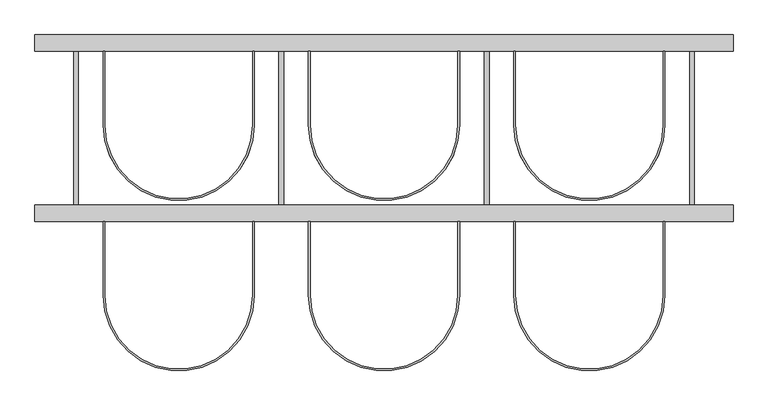
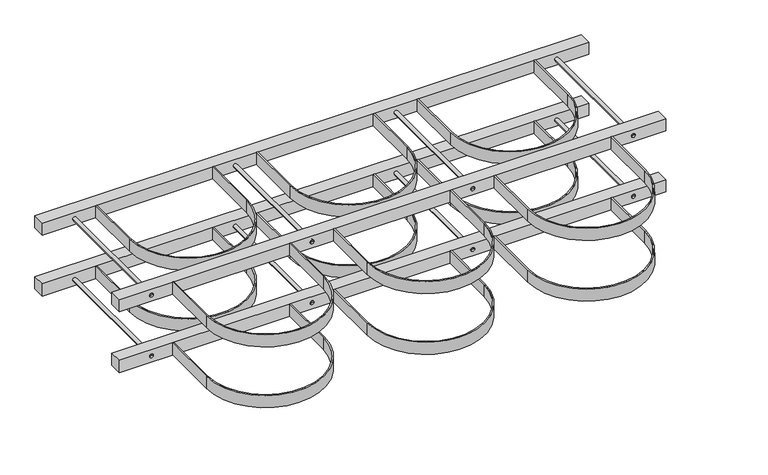
"""IFC4 building model written with IfcOpenShell, lengths in millimetres: proxy geometry."""

import ifcopenshell
import ifcopenshell.guid

model = None  # the IFC model being written
_history = None  # IfcOwnerHistory: only IFC2X3 demands one
_inside = {}  # id of a spatial element -> (the spatial element, [elements in it])
_under = {}  # id of a project, library or spatial element -> (it, [spatial elements below it])
_declared = {}  # id of a project -> (the project, [libraries it declares])
_typed = {}  # id of a type object -> (the type object, [elements of that type])
_made_of = {}  # id of a material, layer set ... -> (it, [elements and type objects made of it])


def new_model(schema):
    """Start an empty IFC model of exactly this schema.

    Asked for "IFC4X3", IfcOpenShell would pick the latest addendum, in which some entities
    have other attributes; the version numbers below select the first issue.
    IFC2X3 requires an IfcOwnerHistory on every rooted entity: one is made here for all.
    """
    global model, _history
    if schema == "IFC4X3":
        model = ifcopenshell.file(schema_version=(4, 3, 0, 0))
    else:
        model = ifcopenshell.file(schema=schema)
    _inside.clear()
    _under.clear()
    _declared.clear()
    _typed.clear()
    _made_of.clear()
    _history = None
    if model.schema == "IFC2X3":
        org = make("IfcOrganization", Name="unknown")
        user = make(
            "IfcPersonAndOrganization",
            ThePerson=make("IfcPerson", FamilyName="unknown"),
            TheOrganization=org,
        )
        app = make(
            "IfcApplication",
            ApplicationDeveloper=org,
            Version="unknown",
            ApplicationFullName="unknown",
            ApplicationIdentifier="unknown",
        )
        _history = make(
            "IfcOwnerHistory",
            OwningUser=user,
            OwningApplication=app,
            ChangeAction="ADDED",
            CreationDate=0,
        )
    return model


def make(cls, **values):
    """One entity of the class cls with the attributes given. An attribute that is None is left unset."""
    return model.create_entity(
        cls, **{name: value for name, value in values.items() if value is not None}
    )


def rooted(cls, **values):
    """An entity with a GlobalId (a new one), such as an element, a storey or a relation."""
    return make(cls, GlobalId=ifcopenshell.guid.new(), OwnerHistory=_history, **values)


def si_unit(unit_type, name, prefix=None):
    """IfcSIUnit, for example si_unit("LENGTHUNIT", "METRE", prefix="MILLI")."""
    return make("IfcSIUnit", UnitType=unit_type, Prefix=prefix, Name=name)


def assignment(units):
    """IfcUnitAssignment: the units of a project."""
    return None if units is None else make("IfcUnitAssignment", Units=units)


def point(xyz):
    """IfcCartesianPoint."""
    return None if xyz is None else make("IfcCartesianPoint", Coordinates=xyz)


def direction(xyz):
    """IfcDirection."""
    return None if xyz is None else make("IfcDirection", DirectionRatios=xyz)


def frame(location, z_axis=None, x_axis=None):
    """IfcAxis2Placement3D, a coordinate frame: its origin and axes. An axis left out is left unset."""
    return make(
        "IfcAxis2Placement3D",
        Location=point(location),
        Axis=direction(z_axis),
        RefDirection=direction(x_axis),
    )


def frame_2d(location, x_axis=None):
    """IfcAxis2Placement2D, a coordinate frame in the plane: its origin and x axis."""
    return make(
        "IfcAxis2Placement2D", Location=point(location), RefDirection=direction(x_axis)
    )


def origin():
    """The frame at (0, 0, 0) with its axes left unset."""
    return frame((0.0, 0.0, 0.0))


def origin_2d():
    """The frame at (0, 0) in the plane with its x axis left unset."""
    return frame_2d((0.0, 0.0))


def place(relative_to, where):
    """IfcLocalPlacement: puts the frame where relative to a parent placement (None: the world)."""
    return make(
        "IfcLocalPlacement", PlacementRelTo=relative_to, RelativePlacement=where
    )


def context(
    kind, dimensions, precision=None, world=None, true_north=None, identifier=None
):
    """IfcGeometricRepresentationContext, for example the 3D "Model" context."""
    return make(
        "IfcGeometricRepresentationContext",
        ContextIdentifier=identifier,
        ContextType=kind,
        CoordinateSpaceDimension=dimensions,
        Precision=precision,
        WorldCoordinateSystem=world,
        TrueNorth=true_north,
    )


def project(units=None, contexts=None):
    """IfcProject with its units and contexts."""
    return rooted(
        "IfcProject",
        Name="project",
        RepresentationContexts=contexts,
        UnitsInContext=assignment(units),
    )


def spatial(cls, under=None, at=None, **own):
    """A site, building, storey or space (cls), placed at a placement, below another one or the project."""
    s = rooted(cls, ObjectPlacement=at, **own)
    if under is not None:
        _under.setdefault(under.id(), (under, []))[1].append(s)
    return s


def polyline(points):
    """IfcPolyline through the points."""
    return make("IfcPolyline", Points=[point(p) for p in points])


def circle_curve(where, radius):
    """IfcCircle in the frame where."""
    return make("IfcCircle", Position=where, Radius=radius)


def trimmed(basis, trim1, trim2, sense, master):
    """IfcTrimmedCurve: the piece of a basis curve between two trims."""
    return make(
        "IfcTrimmedCurve",
        BasisCurve=basis,
        Trim1=trim1,
        Trim2=trim2,
        SenseAgreement=sense,
        MasterRepresentation=master,
    )


def segment(curve, same_sense, transition):
    """IfcCompositeCurveSegment."""
    return make(
        "IfcCompositeCurveSegment",
        Transition=transition,
        SameSense=same_sense,
        ParentCurve=curve,
    )


def composite_curve(segments, self_intersect=None):
    """IfcCompositeCurve: segments joined end to end."""
    return make("IfcCompositeCurve", Segments=segments, SelfIntersect=self_intersect)


def outline(outer, holes=None, kind="AREA"):
    """IfcArbitraryClosedProfileDef: a profile drawn as a closed curve; with holes, ...WithVoids."""
    if holes is None:
        return make("IfcArbitraryClosedProfileDef", ProfileType=kind, OuterCurve=outer)
    return make(
        "IfcArbitraryProfileDefWithVoids",
        ProfileType=kind,
        OuterCurve=outer,
        InnerCurves=holes,
    )


def extrude(swept, where, along, depth):
    """IfcExtrudedAreaSolid: the profile swept, set in the frame where, extruded along a direction by depth."""
    return make(
        "IfcExtrudedAreaSolid",
        SweptArea=swept,
        Position=where,
        ExtrudedDirection=direction(along),
        Depth=depth,
    )


def shape(context_of_items, identifier, shape_type, items):
    """IfcShapeRepresentation: the items that make up one representation, for example the "Body"."""
    return make(
        "IfcShapeRepresentation",
        ContextOfItems=context_of_items,
        RepresentationIdentifier=identifier,
        RepresentationType=shape_type,
        Items=items,
    )


def source(mapping_origin, context_of_items, identifier, shape_type, items):
    """IfcRepresentationMap: a shape defined once, which mapped items show again and again."""
    return make(
        "IfcRepresentationMap",
        MappingOrigin=mapping_origin,
        MappedRepresentation=shape(context_of_items, identifier, shape_type, items),
    )


def transform(
    local_origin,
    x_axis=None,
    y_axis=None,
    z_axis=None,
    scale=None,
    scale2=None,
    scale3=None,
    uniform=True,
):
    """IfcCartesianTransformationOperator3D, or its non-uniform kind. x_axis, y_axis, z_axis: its Axis1, 2, 3."""
    if uniform:
        return make(
            "IfcCartesianTransformationOperator3D",
            Axis1=direction(x_axis),
            Axis2=direction(y_axis),
            LocalOrigin=point(local_origin),
            Scale=scale,
            Axis3=direction(z_axis),
        )
    return make(
        "IfcCartesianTransformationOperator3DnonUniform",
        Axis1=direction(x_axis),
        Axis2=direction(y_axis),
        LocalOrigin=point(local_origin),
        Scale=scale,
        Axis3=direction(z_axis),
        Scale2=scale2,
        Scale3=scale3,
    )


def mapped(mapping_source, mapping_target):
    """IfcMappedItem: shows the shape of a source again, moved by a transform."""
    return make(
        "IfcMappedItem", MappingSource=mapping_source, MappingTarget=mapping_target
    )


def made_of(thing, what):
    """Note that an element or type object is made of a material, layer set ...; save() writes the relation."""
    if what is not None:
        _made_of.setdefault(what.id(), (what, []))[1].append(thing)
    return thing


def element(
    cls,
    number,
    at=None,
    inside=None,
    cuts=None,
    type_object=None,
    material=None,
    context=None,
    identifier="Body",
    shape_type=None,
    held_by="IfcProductDefinitionShape",
    body=None,
    shapes=None,
    **own,
):
    """One element of the class cls, such as IfcWall. Its Tag is "e" and its number.

    at: its placement. inside: the storey or other place that contains it. cuts: it is an
    opening in that element (IfcRelVoidsElement). A single representation is given by context,
    identifier, shape_type and body (its items); several are given by shapes. held_by: the class
    of the entity that holds the representations. save() writes the other relations.
    """
    e = rooted(cls, Tag="e%d" % number, ObjectPlacement=at, **own)
    if body is not None:
        shapes = [shape(context, identifier, shape_type, body)]
    if shapes is not None:
        e.Representation = make(held_by, Representations=shapes)
    if inside is not None:
        _inside.setdefault(inside.id(), (inside, []))[1].append(e)
    if cuts is not None:
        rooted(
            "IfcRelVoidsElement", RelatingBuildingElement=cuts, RelatedOpeningElement=e
        )
    if type_object is not None:
        _typed.setdefault(type_object.id(), (type_object, []))[1].append(e)
    return made_of(e, material)


def aggregate(whole, parts):
    """IfcRelAggregates: a whole, such as a stair, and the parts it consists of."""
    return rooted("IfcRelAggregates", RelatingObject=whole, RelatedObjects=parts)


def save(model, path):
    """Write the relations noted so far, then the file.

    IfcRelAggregates (storeys below a building ...), IfcRelContainedInSpatialStructure (elements
    in a storey), IfcRelDefinesByType, IfcRelAssociatesMaterial and IfcRelDeclares: one each for
    every whole, place, type object, material and project.
    """
    for whole, parts in _under.values():
        aggregate(whole, parts)
    for where, things in _inside.values():
        rooted(
            "IfcRelContainedInSpatialStructure",
            RelatedElements=things,
            RelatingStructure=where,
        )
    for kind, things in _typed.values():
        rooted("IfcRelDefinesByType", RelatedObjects=things, RelatingType=kind)
    for what, things in _made_of.values():
        rooted("IfcRelAssociatesMaterial", RelatedObjects=things, RelatingMaterial=what)
    for by, libraries in _declared.values():
        rooted("IfcRelDeclares", RelatingContext=by, RelatedDefinitions=libraries)
    model.write(path)


def plane_surface(at):
    """IfcPlane: the flat surface through the origin of the frame at, square to its z axis."""
    return make("IfcPlane", Position=at)


def cylinder_surface(at, radius):
    """IfcCylindricalSurface: all points at the distance radius from the z axis of the frame at."""
    return make("IfcCylindricalSurface", Position=at, Radius=radius)


def advanced_brep(points, edges, surfaces, faces):
    """IfcAdvancedBrep: a solid bounded by faces that lie on surfaces and meet in shared edges.

    An edge is (start, end): straight between two places in points (the first is 0);
    or (start, end, curve); or (start, end, curve, False) where it runs against its curve.
    A face is (place in surfaces, loops), or (place, loops, False) where it looks against
    its surface's normal. A loop lists edges by number (the first is 1), with a minus sign
    where the edge is run from its end to its start. The first loop is the outer one.
    """
    corners = [point(p) for p in points]
    vertices = [make("IfcVertexPoint", VertexGeometry=c) for c in corners]
    made = []
    for start, end, *more in edges:
        made.append(
            make(
                "IfcEdgeCurve",
                EdgeStart=vertices[start],
                EdgeEnd=vertices[end],
                EdgeGeometry=more[0] if more else make("IfcPolyline", Points=[corners[start], corners[end]]),
                SameSense=more[1] if len(more) > 1 else True,
            )
        )
    hull = []
    for where, loops, *sense in faces:
        bounds = []
        for j, loop in enumerate(loops):
            ring = [make("IfcOrientedEdge", EdgeElement=made[abs(k) - 1], Orientation=k > 0) for k in loop]
            bounds.append(
                make(
                    "IfcFaceOuterBound" if j == 0 else "IfcFaceBound",
                    Bound=make("IfcEdgeLoop", EdgeList=ring),
                    Orientation=True,
                )
            )
        hull.append(make("IfcAdvancedFace", Bounds=bounds, FaceSurface=surfaces[where], SameSense=sense[0] if sense else True))
    return make("IfcAdvancedBrep", Outer=make("IfcClosedShell", CfsFaces=hull))


def specialty_equipment_f84ff346(model_context):
    return source(origin(), model_context, "Body", "SolidModel", [
        extrude(outline(composite_curve([segment(polyline([(820.0, -235.0), (820.0, -415.0)]), True, "CONTINUOUS"), segment(trimmed(circle_curve(frame_2d((1000.0, -415.0)), 180.0), [point((820.0, -415.0))], [point((1180.0, -415.0))], True, "CARTESIAN"), True, "CONTINUOUS"), segment(polyline([(1180.0, -415.0), (1180.0, -235.0), (1184.0, -235.0), (1184.0, -415.0)]), True, "CONTINUOUS"), segment(trimmed(circle_curve(frame_2d((1000.0, -415.0)), 184.0), [point((1184.0, -415.0))], [point((816.0, -415.0))], False, "CARTESIAN"), True, "CONTINUOUS"), segment(polyline([(816.0, -415.0), (816.0, -235.0), (820.0, -235.0)]), True, "CONTINUOUS")], self_intersect=False)), frame((0.0, 0.0, 180.0), z_axis=(0.0, 0.0, 1.0), x_axis=(1.0, 0.0, 0.0)), (0.0, 0.0, 1.0), 40.0),
        advanced_brep(
        [(1256.0, -235.0, 200.0), (1244.0, -235.0, 200.0), (1244.0, 180.0, 200.0), (1256.0, 180.0, 200.0), (1250.0, -235.0, 200.0), (1250.0, 180.0, 200.0)],
        [
            (0, 1, circle_curve(frame((1250.0, -235.0, 200.0), z_axis=(0.0, 1.0, 0.0), x_axis=(-1.0, 0.0, 0.0)), 6.0)),
            (1, 2),
            (2, 3, circle_curve(frame((1250.0, 180.0, 200.0), z_axis=(0.0, -1.0, 0.0), x_axis=(-1.0, 0.0, 0.0)), 6.0)),
            (3, 0),
            (1, 0, circle_curve(frame((1250.0, -235.0, 200.0), z_axis=(0.0, 1.0, 0.0), x_axis=(-1.0, 0.0, 0.0)), 6.0)),
            (3, 2, circle_curve(frame((1250.0, 180.0, 200.0), z_axis=(0.0, -1.0, 0.0), x_axis=(-1.0, 0.0, 0.0)), 6.0)),
            (4, 1),
            (0, 4),
            (2, 5),
            (5, 3),
        ],
        [
            cylinder_surface(frame((1250.0, 1704.0, 200.0), z_axis=(0.0, -1.0, 0.0), x_axis=(-1.0, 0.0, 0.0)), 6.0),
            plane_surface(frame((1250.0, -235.0, 200.0), z_axis=(0.0, -1.0, 0.0), x_axis=(-1.0, 0.0, 0.0))),
            plane_surface(frame((1250.0, 180.0, 200.0), z_axis=(0.0, 1.0, 0.0), x_axis=(-1.0, 0.0, 0.0))),
        ],
        [
            (0, [[1, 2, 3, 4]]),
            (0, [[5, -4, 6, -2]]),
            (1, [[7, -1, 8]]),
            (1, [[-8, -5, -7]]),
            (2, [[-3, 9, 10]]),
            (2, [[-6, -10, -9]]),
        ],
    ),
        extrude(outline(composite_curve([segment(polyline([(820.0, 180.0), (820.0, 0.0)]), True, "CONTINUOUS"), segment(trimmed(circle_curve(frame_2d((1000.0, 0.0)), 180.0), [point((820.0, 0.0))], [point((1180.0, 0.0))], True, "CARTESIAN"), True, "CONTINUOUS"), segment(polyline([(1180.0, 0.0), (1180.0, 180.0), (1184.0, 180.0), (1184.0, 0.0)]), True, "CONTINUOUS"), segment(trimmed(circle_curve(frame_2d((1000.0, 0.0)), 184.0), [point((1184.0, 0.0))], [point((816.0, 0.0))], False, "CARTESIAN"), True, "CONTINUOUS"), segment(polyline([(816.0, 0.0), (816.0, 180.0), (820.0, 180.0)]), True, "CONTINUOUS")], self_intersect=False)), frame((0.0, 0.0, 180.0), z_axis=(0.0, 0.0, 1.0), x_axis=(1.0, 0.0, 0.0)), (0.0, 0.0, 1.0), 40.0),
        extrude(outline(composite_curve([segment(polyline([(320.0, -235.0), (320.0, -415.0)]), True, "CONTINUOUS"), segment(trimmed(circle_curve(frame_2d((500.0, -415.0)), 180.0), [point((320.0, -415.0))], [point((680.0, -415.0))], True, "CARTESIAN"), True, "CONTINUOUS"), segment(polyline([(680.0, -415.0), (680.0, -235.0), (684.0, -235.0), (684.0, -415.0)]), True, "CONTINUOUS"), segment(trimmed(circle_curve(frame_2d((500.0, -415.0)), 184.0), [point((684.0, -415.0))], [point((316.0, -415.0))], False, "CARTESIAN"), True, "CONTINUOUS"), segment(polyline([(316.0, -415.0), (316.0, -235.0), (320.0, -235.0)]), True, "CONTINUOUS")], self_intersect=False)), frame((0.0, 0.0, 180.0), z_axis=(0.0, 0.0, 1.0), x_axis=(1.0, 0.0, 0.0)), (0.0, 0.0, 1.0), 40.0),
        advanced_brep(
        [(756.0, -235.0, 200.0), (744.0, -235.0, 200.0), (744.0, 180.0, 200.0), (756.0, 180.0, 200.0), (750.0, -235.0, 200.0), (750.0, 180.0, 200.0)],
        [
            (0, 1, circle_curve(frame((750.0, -235.0, 200.0), z_axis=(0.0, 1.0, 0.0), x_axis=(-1.0, 0.0, 0.0)), 6.0)),
            (1, 2),
            (2, 3, circle_curve(frame((750.0, 180.0, 200.0), z_axis=(0.0, -1.0, 0.0), x_axis=(-1.0, 0.0, 0.0)), 6.0)),
            (3, 0),
            (1, 0, circle_curve(frame((750.0, -235.0, 200.0), z_axis=(0.0, 1.0, 0.0), x_axis=(-1.0, 0.0, 0.0)), 6.0)),
            (3, 2, circle_curve(frame((750.0, 180.0, 200.0), z_axis=(0.0, -1.0, 0.0), x_axis=(-1.0, 0.0, 0.0)), 6.0)),
            (4, 1),
            (0, 4),
            (2, 5),
            (5, 3),
        ],
        [
            cylinder_surface(frame((750.0, 1704.0, 200.0), z_axis=(0.0, -1.0, 0.0), x_axis=(-1.0, 0.0, 0.0)), 6.0),
            plane_surface(frame((750.0, -235.0, 200.0), z_axis=(0.0, -1.0, 0.0), x_axis=(-1.0, 0.0, 0.0))),
            plane_surface(frame((750.0, 180.0, 200.0), z_axis=(0.0, 1.0, 0.0), x_axis=(-1.0, 0.0, 0.0))),
        ],
        [
            (0, [[1, 2, 3, 4]]),
            (0, [[5, -4, 6, -2]]),
            (1, [[7, -1, 8]]),
            (1, [[-8, -5, -7]]),
            (2, [[-3, 9, 10]]),
            (2, [[-6, -10, -9]]),
        ],
    ),
        advanced_brep(
        [(256.0, -235.0, 200.0), (244.0, -235.0, 200.0), (244.0, 180.0, 200.0), (256.0, 180.0, 200.0), (250.0, -235.0, 200.0), (250.0, 180.0, 200.0)],
        [
            (0, 1, circle_curve(frame((250.0, -235.0, 200.0), z_axis=(0.0, 1.0, 0.0), x_axis=(-1.0, 0.0, 0.0)), 6.0)),
            (1, 2),
            (2, 3, circle_curve(frame((250.0, 180.0, 200.0), z_axis=(0.0, -1.0, 0.0), x_axis=(-1.0, 0.0, 0.0)), 6.0)),
            (3, 0),
            (1, 0, circle_curve(frame((250.0, -235.0, 200.0), z_axis=(0.0, 1.0, 0.0), x_axis=(-1.0, 0.0, 0.0)), 6.0)),
            (3, 2, circle_curve(frame((250.0, 180.0, 200.0), z_axis=(0.0, -1.0, 0.0), x_axis=(-1.0, 0.0, 0.0)), 6.0)),
            (4, 1),
            (0, 4),
            (2, 5),
            (5, 3),
        ],
        [
            cylinder_surface(frame((250.0, 1704.0, 200.0), z_axis=(0.0, -1.0, 0.0), x_axis=(-1.0, 0.0, 0.0)), 6.0),
            plane_surface(frame((250.0, -235.0, 200.0), z_axis=(0.0, -1.0, 0.0), x_axis=(-1.0, 0.0, 0.0))),
            plane_surface(frame((250.0, 180.0, 200.0), z_axis=(0.0, 1.0, 0.0), x_axis=(-1.0, 0.0, 0.0))),
        ],
        [
            (0, [[1, 2, 3, 4]]),
            (0, [[5, -4, 6, -2]]),
            (1, [[7, -1, 8]]),
            (1, [[-8, -5, -7]]),
            (2, [[-3, 9, 10]]),
            (2, [[-6, -10, -9]]),
        ],
    ),
        extrude(outline(composite_curve([segment(polyline([(-180.0, -235.0), (-180.0, -415.0)]), True, "CONTINUOUS"), segment(trimmed(circle_curve(frame_2d((0.0, -415.0)), 180.0), [point((-180.0, -415.0))], [point((180.0, -415.0))], True, "CARTESIAN"), True, "CONTINUOUS"), segment(polyline([(180.0, -415.0), (180.0, -235.0), (184.0, -235.0), (184.0, -415.0)]), True, "CONTINUOUS"), segment(trimmed(circle_curve(frame_2d((0.0, -415.0)), 184.0), [point((184.0, -415.0))], [point((-184.0, -415.0))], False, "CARTESIAN"), True, "CONTINUOUS"), segment(polyline([(-184.0, -415.0), (-184.0, -235.0), (-180.0, -235.0)]), True, "CONTINUOUS")], self_intersect=False)), frame((0.0, 0.0, 180.0), z_axis=(0.0, 0.0, 1.0), x_axis=(1.0, 0.0, 0.0)), (0.0, 0.0, 1.0), 40.0),
        advanced_brep(
        [(-244.0, -235.0, 200.0), (-256.0, -235.0, 200.0), (-256.0, 180.0, 200.0), (-244.0, 180.0, 200.0), (-250.0, -235.0, 200.0), (-250.0, 180.0, 200.0)],
        [
            (0, 1, circle_curve(frame((-250.0, -235.0, 200.0), z_axis=(0.0, 1.0, 0.0), x_axis=(-1.0, 0.0, 0.0)), 6.0)),
            (1, 2),
            (2, 3, circle_curve(frame((-250.0, 180.0, 200.0), z_axis=(0.0, -1.0, 0.0), x_axis=(-1.0, 0.0, 0.0)), 6.0)),
            (3, 0),
            (1, 0, circle_curve(frame((-250.0, -235.0, 200.0), z_axis=(0.0, 1.0, 0.0), x_axis=(-1.0, 0.0, 0.0)), 6.0)),
            (3, 2, circle_curve(frame((-250.0, 180.0, 200.0), z_axis=(0.0, -1.0, 0.0), x_axis=(-1.0, 0.0, 0.0)), 6.0)),
            (4, 1),
            (0, 4),
            (2, 5),
            (5, 3),
        ],
        [
            cylinder_surface(frame((-250.0, 1704.0, 200.0), z_axis=(0.0, -1.0, 0.0), x_axis=(-1.0, 0.0, 0.0)), 6.0),
            plane_surface(frame((-250.0, -235.0, 200.0), z_axis=(0.0, -1.0, 0.0), x_axis=(-1.0, 0.0, 0.0))),
            plane_surface(frame((-250.0, 180.0, 200.0), z_axis=(0.0, 1.0, 0.0), x_axis=(-1.0, 0.0, 0.0))),
        ],
        [
            (0, [[1, 2, 3, 4]]),
            (0, [[5, -4, 6, -2]]),
            (1, [[7, -1, 8]]),
            (1, [[-8, -5, -7]]),
            (2, [[-3, 9, 10]]),
            (2, [[-6, -10, -9]]),
        ],
    ),
        extrude(outline(composite_curve([segment(polyline([(320.0, 180.0), (320.0, 0.0)]), True, "CONTINUOUS"), segment(trimmed(circle_curve(frame_2d((500.0, 0.0)), 180.0), [point((320.0, 0.0))], [point((680.0, 0.0))], True, "CARTESIAN"), True, "CONTINUOUS"), segment(polyline([(680.0, 0.0), (680.0, 180.0), (684.0, 180.0), (684.0, 0.0)]), True, "CONTINUOUS"), segment(trimmed(circle_curve(frame_2d((500.0, 0.0)), 184.0), [point((684.0, 0.0))], [point((316.0, 0.0))], False, "CARTESIAN"), True, "CONTINUOUS"), segment(polyline([(316.0, 0.0), (316.0, 180.0), (320.0, 180.0)]), True, "CONTINUOUS")], self_intersect=False)), frame((0.0, 0.0, 180.0), z_axis=(0.0, 0.0, 1.0), x_axis=(1.0, 0.0, 0.0)), (0.0, 0.0, 1.0), 40.0),
        extrude(outline(composite_curve([segment(polyline([(-180.0, 180.0), (-180.0, 0.0)]), True, "CONTINUOUS"), segment(trimmed(circle_curve(origin_2d(), 180.0), [point((-180.0, 0.0))], [point((180.0, 0.0))], True, "CARTESIAN"), True, "CONTINUOUS"), segment(polyline([(180.0, 0.0), (180.0, 180.0), (184.0, 180.0), (184.0, 0.0)]), True, "CONTINUOUS"), segment(trimmed(circle_curve(origin_2d(), 184.0), [point((184.0, 0.0))], [point((-184.0, 0.0))], False, "CARTESIAN"), True, "CONTINUOUS"), segment(polyline([(-184.0, 0.0), (-184.0, 180.0), (-180.0, 180.0)]), True, "CONTINUOUS")], self_intersect=False)), frame((0.0, 0.0, 180.0), z_axis=(0.0, 0.0, 1.0), x_axis=(1.0, 0.0, 0.0)), (0.0, 0.0, 1.0), 40.0),
        extrude(outline(polyline([(1350.0, -235.0), (-350.0, -235.0), (-350.0, -195.0), (1350.0, -195.0), (1350.0, -235.0)])), frame((0.0, 0.0, 180.0), z_axis=(0.0, 0.0, 1.0), x_axis=(1.0, 0.0, 0.0)), (0.0, 0.0, 1.0), 40.0),
        extrude(outline(polyline([(1350.0, 180.0), (-350.0, 180.0), (-350.0, 220.0), (1350.0, 220.0), (1350.0, 180.0)])), frame((0.0, 0.0, 180.0), z_axis=(0.0, 0.0, 1.0), x_axis=(1.0, 0.0, 0.0)), (0.0, 0.0, 1.0), 40.0),
        extrude(outline(composite_curve([segment(polyline([(820.0, -235.0), (820.0, -415.0)]), True, "CONTINUOUS"), segment(trimmed(circle_curve(frame_2d((1000.0, -415.0)), 180.0), [point((820.0, -415.0))], [point((1180.0, -415.0))], True, "CARTESIAN"), True, "CONTINUOUS"), segment(polyline([(1180.0, -415.0), (1180.0, -235.0), (1184.0, -235.0), (1184.0, -415.0)]), True, "CONTINUOUS"), segment(trimmed(circle_curve(frame_2d((1000.0, -415.0)), 184.0), [point((1184.0, -415.0))], [point((816.0, -415.0))], False, "CARTESIAN"), True, "CONTINUOUS"), segment(polyline([(816.0, -415.0), (816.0, -235.0), (820.0, -235.0)]), True, "CONTINUOUS")], self_intersect=False)), frame((0.0, 0.0, -20.0), z_axis=(0.0, 0.0, 1.0), x_axis=(1.0, 0.0, 0.0)), (0.0, 0.0, 1.0), 40.0),
        advanced_brep(
        [(1256.0, -235.0, 0.0), (1244.0, -235.0, 0.0), (1244.0, 180.0, 0.0), (1256.0, 180.0, 0.0), (1250.0, -235.0, 0.0), (1250.0, 180.0, 0.0)],
        [
            (0, 1, circle_curve(frame((1250.0, -235.0, 0.0), z_axis=(0.0, 1.0, 0.0), x_axis=(-1.0, 0.0, 0.0)), 6.0)),
            (1, 2),
            (2, 3, circle_curve(frame((1250.0, 180.0, 0.0), z_axis=(0.0, -1.0, 0.0), x_axis=(-1.0, 0.0, 0.0)), 6.0)),
            (3, 0),
            (1, 0, circle_curve(frame((1250.0, -235.0, 0.0), z_axis=(0.0, 1.0, 0.0), x_axis=(-1.0, 0.0, 0.0)), 6.0)),
            (3, 2, circle_curve(frame((1250.0, 180.0, 0.0), z_axis=(0.0, -1.0, 0.0), x_axis=(-1.0, 0.0, 0.0)), 6.0)),
            (4, 1),
            (0, 4),
            (2, 5),
            (5, 3),
        ],
        [
            cylinder_surface(frame((1250.0, 1704.0, 0.0), z_axis=(0.0, -1.0, 0.0), x_axis=(-1.0, 0.0, 0.0)), 6.0),
            plane_surface(frame((1250.0, -235.0, 0.0), z_axis=(0.0, -1.0, 0.0), x_axis=(-1.0, 0.0, 0.0))),
            plane_surface(frame((1250.0, 180.0, 0.0), z_axis=(0.0, 1.0, 0.0), x_axis=(-1.0, 0.0, 0.0))),
        ],
        [
            (0, [[1, 2, 3, 4]]),
            (0, [[5, -4, 6, -2]]),
            (1, [[7, -1, 8]]),
            (1, [[-8, -5, -7]]),
            (2, [[-3, 9, 10]]),
            (2, [[-6, -10, -9]]),
        ],
    ),
        extrude(outline(composite_curve([segment(polyline([(820.0, 180.0), (820.0, 0.0)]), True, "CONTINUOUS"), segment(trimmed(circle_curve(frame_2d((1000.0, 0.0)), 180.0), [point((820.0, 0.0))], [point((1180.0, 0.0))], True, "CARTESIAN"), True, "CONTINUOUS"), segment(polyline([(1180.0, 0.0), (1180.0, 180.0), (1184.0, 180.0), (1184.0, 0.0)]), True, "CONTINUOUS"), segment(trimmed(circle_curve(frame_2d((1000.0, 0.0)), 184.0), [point((1184.0, 0.0))], [point((816.0, 0.0))], False, "CARTESIAN"), True, "CONTINUOUS"), segment(polyline([(816.0, 0.0), (816.0, 180.0), (820.0, 180.0)]), True, "CONTINUOUS")], self_intersect=False)), frame((0.0, 0.0, -20.0), z_axis=(0.0, 0.0, 1.0), x_axis=(1.0, 0.0, 0.0)), (0.0, 0.0, 1.0), 40.0),
        extrude(outline(composite_curve([segment(polyline([(320.0, -235.0), (320.0, -415.0)]), True, "CONTINUOUS"), segment(trimmed(circle_curve(frame_2d((500.0, -415.0)), 180.0), [point((320.0, -415.0))], [point((680.0, -415.0))], True, "CARTESIAN"), True, "CONTINUOUS"), segment(polyline([(680.0, -415.0), (680.0, -235.0), (684.0, -235.0), (684.0, -415.0)]), True, "CONTINUOUS"), segment(trimmed(circle_curve(frame_2d((500.0, -415.0)), 184.0), [point((684.0, -415.0))], [point((316.0, -415.0))], False, "CARTESIAN"), True, "CONTINUOUS"), segment(polyline([(316.0, -415.0), (316.0, -235.0), (320.0, -235.0)]), True, "CONTINUOUS")], self_intersect=False)), frame((0.0, 0.0, -20.0), z_axis=(0.0, 0.0, 1.0), x_axis=(1.0, 0.0, 0.0)), (0.0, 0.0, 1.0), 40.0),
        advanced_brep(
        [(756.0, -235.0, 0.0), (744.0, -235.0, 0.0), (744.0, 180.0, 0.0), (756.0, 180.0, 0.0), (750.0, -235.0, 0.0), (750.0, 180.0, 0.0)],
        [
            (0, 1, circle_curve(frame((750.0, -235.0, 0.0), z_axis=(0.0, 1.0, 0.0), x_axis=(-1.0, 0.0, 0.0)), 6.0)),
            (1, 2),
            (2, 3, circle_curve(frame((750.0, 180.0, 0.0), z_axis=(0.0, -1.0, 0.0), x_axis=(-1.0, 0.0, 0.0)), 6.0)),
            (3, 0),
            (1, 0, circle_curve(frame((750.0, -235.0, 0.0), z_axis=(0.0, 1.0, 0.0), x_axis=(-1.0, 0.0, 0.0)), 6.0)),
            (3, 2, circle_curve(frame((750.0, 180.0, 0.0), z_axis=(0.0, -1.0, 0.0), x_axis=(-1.0, 0.0, 0.0)), 6.0)),
            (4, 1),
            (0, 4),
            (2, 5),
            (5, 3),
        ],
        [
            cylinder_surface(frame((750.0, 1704.0, 0.0), z_axis=(0.0, -1.0, 0.0), x_axis=(-1.0, 0.0, 0.0)), 6.0),
            plane_surface(frame((750.0, -235.0, 0.0), z_axis=(0.0, -1.0, 0.0), x_axis=(-1.0, 0.0, 0.0))),
            plane_surface(frame((750.0, 180.0, 0.0), z_axis=(0.0, 1.0, 0.0), x_axis=(-1.0, 0.0, 0.0))),
        ],
        [
            (0, [[1, 2, 3, 4]]),
            (0, [[5, -4, 6, -2]]),
            (1, [[7, -1, 8]]),
            (1, [[-8, -5, -7]]),
            (2, [[-3, 9, 10]]),
            (2, [[-6, -10, -9]]),
        ],
    ),
        advanced_brep(
        [(256.0, -235.0, 0.0), (244.0, -235.0, 0.0), (244.0, 180.0, 0.0), (256.0, 180.0, 0.0), (250.0, -235.0, 0.0), (250.0, 180.0, 0.0)],
        [
            (0, 1, circle_curve(frame((250.0, -235.0, 0.0), z_axis=(0.0, 1.0, 0.0), x_axis=(-1.0, 0.0, 0.0)), 6.0)),
            (1, 2),
            (2, 3, circle_curve(frame((250.0, 180.0, 0.0), z_axis=(0.0, -1.0, 0.0), x_axis=(-1.0, 0.0, 0.0)), 6.0)),
            (3, 0),
            (1, 0, circle_curve(frame((250.0, -235.0, 0.0), z_axis=(0.0, 1.0, 0.0), x_axis=(-1.0, 0.0, 0.0)), 6.0)),
            (3, 2, circle_curve(frame((250.0, 180.0, 0.0), z_axis=(0.0, -1.0, 0.0), x_axis=(-1.0, 0.0, 0.0)), 6.0)),
            (4, 1),
            (0, 4),
            (2, 5),
            (5, 3),
        ],
        [
            cylinder_surface(frame((250.0, 1704.0, 0.0), z_axis=(0.0, -1.0, 0.0), x_axis=(-1.0, 0.0, 0.0)), 6.0),
            plane_surface(frame((250.0, -235.0, 0.0), z_axis=(0.0, -1.0, 0.0), x_axis=(-1.0, 0.0, 0.0))),
            plane_surface(frame((250.0, 180.0, 0.0), z_axis=(0.0, 1.0, 0.0), x_axis=(-1.0, 0.0, 0.0))),
        ],
        [
            (0, [[1, 2, 3, 4]]),
            (0, [[5, -4, 6, -2]]),
            (1, [[7, -1, 8]]),
            (1, [[-8, -5, -7]]),
            (2, [[-3, 9, 10]]),
            (2, [[-6, -10, -9]]),
        ],
    ),
        extrude(outline(composite_curve([segment(polyline([(-180.0, -235.0), (-180.0, -415.0)]), True, "CONTINUOUS"), segment(trimmed(circle_curve(frame_2d((0.0, -415.0)), 180.0), [point((-180.0, -415.0))], [point((180.0, -415.0))], True, "CARTESIAN"), True, "CONTINUOUS"), segment(polyline([(180.0, -415.0), (180.0, -235.0), (184.0, -235.0), (184.0, -415.0)]), True, "CONTINUOUS"), segment(trimmed(circle_curve(frame_2d((0.0, -415.0)), 184.0), [point((184.0, -415.0))], [point((-184.0, -415.0))], False, "CARTESIAN"), True, "CONTINUOUS"), segment(polyline([(-184.0, -415.0), (-184.0, -235.0), (-180.0, -235.0)]), True, "CONTINUOUS")], self_intersect=False)), frame((0.0, 0.0, -20.0), z_axis=(0.0, 0.0, 1.0), x_axis=(1.0, 0.0, 0.0)), (0.0, 0.0, 1.0), 40.0),
        advanced_brep(
        [(-244.0, -235.0, 0.0), (-256.0, -235.0, 0.0), (-256.0, 180.0, 0.0), (-244.0, 180.0, 0.0), (-250.0, -235.0, 0.0), (-250.0, 180.0, 0.0)],
        [
            (0, 1, circle_curve(frame((-250.0, -235.0, 0.0), z_axis=(0.0, 1.0, 0.0), x_axis=(-1.0, 0.0, 0.0)), 6.0)),
            (1, 2),
            (2, 3, circle_curve(frame((-250.0, 180.0, 0.0), z_axis=(0.0, -1.0, 0.0), x_axis=(-1.0, 0.0, 0.0)), 6.0)),
            (3, 0),
            (1, 0, circle_curve(frame((-250.0, -235.0, 0.0), z_axis=(0.0, 1.0, 0.0), x_axis=(-1.0, 0.0, 0.0)), 6.0)),
            (3, 2, circle_curve(frame((-250.0, 180.0, 0.0), z_axis=(0.0, -1.0, 0.0), x_axis=(-1.0, 0.0, 0.0)), 6.0)),
            (4, 1),
            (0, 4),
            (2, 5),
            (5, 3),
        ],
        [
            cylinder_surface(frame((-250.0, 1704.0, 0.0), z_axis=(0.0, -1.0, 0.0), x_axis=(-1.0, 0.0, 0.0)), 6.0),
            plane_surface(frame((-250.0, -235.0, 0.0), z_axis=(0.0, -1.0, 0.0), x_axis=(-1.0, 0.0, 0.0))),
            plane_surface(frame((-250.0, 180.0, 0.0), z_axis=(0.0, 1.0, 0.0), x_axis=(-1.0, 0.0, 0.0))),
        ],
        [
            (0, [[1, 2, 3, 4]]),
            (0, [[5, -4, 6, -2]]),
            (1, [[7, -1, 8]]),
            (1, [[-8, -5, -7]]),
            (2, [[-3, 9, 10]]),
            (2, [[-6, -10, -9]]),
        ],
    ),
        extrude(outline(composite_curve([segment(polyline([(320.0, 180.0), (320.0, 0.0)]), True, "CONTINUOUS"), segment(trimmed(circle_curve(frame_2d((500.0, 0.0)), 180.0), [point((320.0, 0.0))], [point((680.0, 0.0))], True, "CARTESIAN"), True, "CONTINUOUS"), segment(polyline([(680.0, 0.0), (680.0, 180.0), (684.0, 180.0), (684.0, 0.0)]), True, "CONTINUOUS"), segment(trimmed(circle_curve(frame_2d((500.0, 0.0)), 184.0), [point((684.0, 0.0))], [point((316.0, 0.0))], False, "CARTESIAN"), True, "CONTINUOUS"), segment(polyline([(316.0, 0.0), (316.0, 180.0), (320.0, 180.0)]), True, "CONTINUOUS")], self_intersect=False)), frame((0.0, 0.0, -20.0), z_axis=(0.0, 0.0, 1.0), x_axis=(1.0, 0.0, 0.0)), (0.0, 0.0, 1.0), 40.0),
        extrude(outline(composite_curve([segment(polyline([(-180.0, 180.0), (-180.0, 0.0)]), True, "CONTINUOUS"), segment(trimmed(circle_curve(origin_2d(), 180.0), [point((-180.0, 0.0))], [point((180.0, 0.0))], True, "CARTESIAN"), True, "CONTINUOUS"), segment(polyline([(180.0, 0.0), (180.0, 180.0), (184.0, 180.0), (184.0, 0.0)]), True, "CONTINUOUS"), segment(trimmed(circle_curve(origin_2d(), 184.0), [point((184.0, 0.0))], [point((-184.0, 0.0))], False, "CARTESIAN"), True, "CONTINUOUS"), segment(polyline([(-184.0, 0.0), (-184.0, 180.0), (-180.0, 180.0)]), True, "CONTINUOUS")], self_intersect=False)), frame((0.0, 0.0, -20.0), z_axis=(0.0, 0.0, 1.0), x_axis=(1.0, 0.0, 0.0)), (0.0, 0.0, 1.0), 40.0),
        extrude(outline(polyline([(1350.0, -235.0), (-350.0, -235.0), (-350.0, -195.0), (1350.0, -195.0), (1350.0, -235.0)])), frame((0.0, 0.0, -20.0), z_axis=(0.0, 0.0, 1.0), x_axis=(1.0, 0.0, 0.0)), (0.0, 0.0, 1.0), 40.0),
        extrude(outline(polyline([(1350.0, 180.0), (-350.0, 180.0), (-350.0, 220.0), (1350.0, 220.0), (1350.0, 180.0)])), frame((0.0, 0.0, -20.0), z_axis=(0.0, 0.0, 1.0), x_axis=(1.0, 0.0, 0.0)), (0.0, 0.0, 1.0), 40.0),
    ])


if __name__ == "__main__":
    model = new_model("IFC4")
    model_context = context("Model", 3, world=origin())
    ifc_project = project(units=[si_unit("LENGTHUNIT", "METRE", prefix="MILLI")], contexts=[model_context])
    site = spatial("IfcSite", under=ifc_project)
    building = spatial("IfcBuilding", under=site)
    placement = place(None, origin())
    specialty_equipment_shape = specialty_equipment_f84ff346(model_context)
    element("IfcBuildingElementProxy", 1, Name="Specialty Equipment", at=placement, inside=building, context=model_context, shape_type="MappedRepresentation", body=[
        mapped(specialty_equipment_shape, transform((0.0, 0.0, 0.0), x_axis=(1.0, 0.0, 0.0), y_axis=(0.0, 1.0, 0.0), z_axis=(0.0, 0.0, 1.0))),
    ])
    save(model, "model.ifc")
